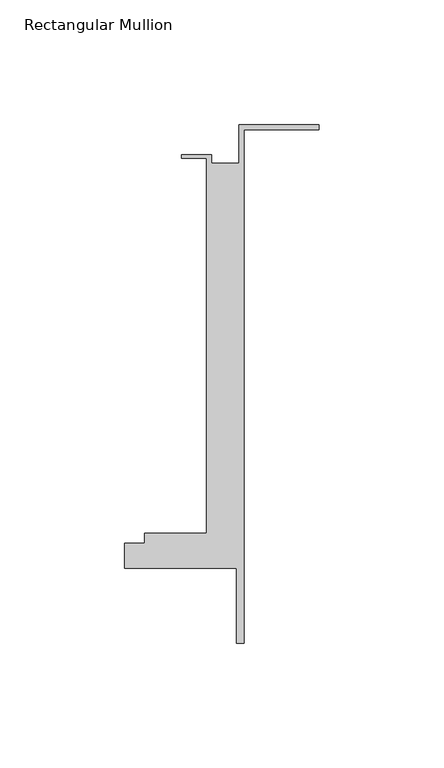
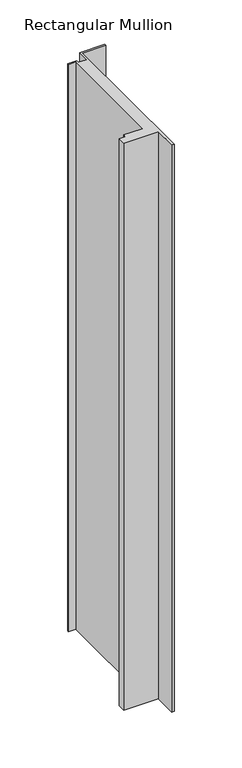
"""IFC4 building model written with IfcOpenShell, lengths in millimetres: member geometry, Rectangular Mullion."""

import ifcopenshell
import ifcopenshell.guid

model = None  # the IFC model being written
_history = None  # IfcOwnerHistory: only IFC2X3 demands one
_inside = {}  # id of a spatial element -> (the spatial element, [elements in it])
_under = {}  # id of a project, library or spatial element -> (it, [spatial elements below it])
_declared = {}  # id of a project -> (the project, [libraries it declares])
_typed = {}  # id of a type object -> (the type object, [elements of that type])
_made_of = {}  # id of a material, layer set ... -> (it, [elements and type objects made of it])


def new_model(schema):
    """Start an empty IFC model of exactly this schema.

    Asked for "IFC4X3", IfcOpenShell would pick the latest addendum, in which some entities
    have other attributes; the version numbers below select the first issue.
    IFC2X3 requires an IfcOwnerHistory on every rooted entity: one is made here for all.
    """
    global model, _history
    if schema == "IFC4X3":
        model = ifcopenshell.file(schema_version=(4, 3, 0, 0))
    else:
        model = ifcopenshell.file(schema=schema)
    _inside.clear()
    _under.clear()
    _declared.clear()
    _typed.clear()
    _made_of.clear()
    _history = None
    if model.schema == "IFC2X3":
        org = make("IfcOrganization", Name="unknown")
        user = make(
            "IfcPersonAndOrganization",
            ThePerson=make("IfcPerson", FamilyName="unknown"),
            TheOrganization=org,
        )
        app = make(
            "IfcApplication",
            ApplicationDeveloper=org,
            Version="unknown",
            ApplicationFullName="unknown",
            ApplicationIdentifier="unknown",
        )
        _history = make(
            "IfcOwnerHistory",
            OwningUser=user,
            OwningApplication=app,
            ChangeAction="ADDED",
            CreationDate=0,
        )
    return model


def make(cls, **values):
    """One entity of the class cls with the attributes given. An attribute that is None is left unset."""
    return model.create_entity(
        cls, **{name: value for name, value in values.items() if value is not None}
    )


def rooted(cls, **values):
    """An entity with a GlobalId (a new one), such as an element, a storey or a relation."""
    return make(cls, GlobalId=ifcopenshell.guid.new(), OwnerHistory=_history, **values)


def si_unit(unit_type, name, prefix=None):
    """IfcSIUnit, for example si_unit("LENGTHUNIT", "METRE", prefix="MILLI")."""
    return make("IfcSIUnit", UnitType=unit_type, Prefix=prefix, Name=name)


def assignment(units):
    """IfcUnitAssignment: the units of a project."""
    return None if units is None else make("IfcUnitAssignment", Units=units)


def point(xyz):
    """IfcCartesianPoint."""
    return None if xyz is None else make("IfcCartesianPoint", Coordinates=xyz)


def direction(xyz):
    """IfcDirection."""
    return None if xyz is None else make("IfcDirection", DirectionRatios=xyz)


def frame(location, z_axis=None, x_axis=None):
    """IfcAxis2Placement3D, a coordinate frame: its origin and axes. An axis left out is left unset."""
    return make(
        "IfcAxis2Placement3D",
        Location=point(location),
        Axis=direction(z_axis),
        RefDirection=direction(x_axis),
    )


def origin():
    """The frame at (0, 0, 0) with its axes left unset."""
    return frame((0.0, 0.0, 0.0))


def place(relative_to, where):
    """IfcLocalPlacement: puts the frame where relative to a parent placement (None: the world)."""
    return make(
        "IfcLocalPlacement", PlacementRelTo=relative_to, RelativePlacement=where
    )


def context(
    kind, dimensions, precision=None, world=None, true_north=None, identifier=None
):
    """IfcGeometricRepresentationContext, for example the 3D "Model" context."""
    return make(
        "IfcGeometricRepresentationContext",
        ContextIdentifier=identifier,
        ContextType=kind,
        CoordinateSpaceDimension=dimensions,
        Precision=precision,
        WorldCoordinateSystem=world,
        TrueNorth=true_north,
    )


def project(units=None, contexts=None):
    """IfcProject with its units and contexts."""
    return rooted(
        "IfcProject",
        Name="project",
        RepresentationContexts=contexts,
        UnitsInContext=assignment(units),
    )


def spatial(cls, under=None, at=None, **own):
    """A site, building, storey or space (cls), placed at a placement, below another one or the project."""
    s = rooted(cls, ObjectPlacement=at, **own)
    if under is not None:
        _under.setdefault(under.id(), (under, []))[1].append(s)
    return s


def polyline(points):
    """IfcPolyline through the points."""
    return make("IfcPolyline", Points=[point(p) for p in points])


def outline(outer, holes=None, kind="AREA"):
    """IfcArbitraryClosedProfileDef: a profile drawn as a closed curve; with holes, ...WithVoids."""
    if holes is None:
        return make("IfcArbitraryClosedProfileDef", ProfileType=kind, OuterCurve=outer)
    return make(
        "IfcArbitraryProfileDefWithVoids",
        ProfileType=kind,
        OuterCurve=outer,
        InnerCurves=holes,
    )


def extrude(swept, where, along, depth):
    """IfcExtrudedAreaSolid: the profile swept, set in the frame where, extruded along a direction by depth."""
    return make(
        "IfcExtrudedAreaSolid",
        SweptArea=swept,
        Position=where,
        ExtrudedDirection=direction(along),
        Depth=depth,
    )


def shape(context_of_items, identifier, shape_type, items):
    """IfcShapeRepresentation: the items that make up one representation, for example the "Body"."""
    return make(
        "IfcShapeRepresentation",
        ContextOfItems=context_of_items,
        RepresentationIdentifier=identifier,
        RepresentationType=shape_type,
        Items=items,
    )


def source(mapping_origin, context_of_items, identifier, shape_type, items):
    """IfcRepresentationMap: a shape defined once, which mapped items show again and again."""
    return make(
        "IfcRepresentationMap",
        MappingOrigin=mapping_origin,
        MappedRepresentation=shape(context_of_items, identifier, shape_type, items),
    )


def transform(
    local_origin,
    x_axis=None,
    y_axis=None,
    z_axis=None,
    scale=None,
    scale2=None,
    scale3=None,
    uniform=True,
):
    """IfcCartesianTransformationOperator3D, or its non-uniform kind. x_axis, y_axis, z_axis: its Axis1, 2, 3."""
    if uniform:
        return make(
            "IfcCartesianTransformationOperator3D",
            Axis1=direction(x_axis),
            Axis2=direction(y_axis),
            LocalOrigin=point(local_origin),
            Scale=scale,
            Axis3=direction(z_axis),
        )
    return make(
        "IfcCartesianTransformationOperator3DnonUniform",
        Axis1=direction(x_axis),
        Axis2=direction(y_axis),
        LocalOrigin=point(local_origin),
        Scale=scale,
        Axis3=direction(z_axis),
        Scale2=scale2,
        Scale3=scale3,
    )


def mapped(mapping_source, mapping_target):
    """IfcMappedItem: shows the shape of a source again, moved by a transform."""
    return make(
        "IfcMappedItem", MappingSource=mapping_source, MappingTarget=mapping_target
    )


def made_of(thing, what):
    """Note that an element or type object is made of a material, layer set ...; save() writes the relation."""
    if what is not None:
        _made_of.setdefault(what.id(), (what, []))[1].append(thing)
    return thing


def element(
    cls,
    number,
    at=None,
    inside=None,
    cuts=None,
    type_object=None,
    material=None,
    context=None,
    identifier="Body",
    shape_type=None,
    held_by="IfcProductDefinitionShape",
    body=None,
    shapes=None,
    **own,
):
    """One element of the class cls, such as IfcWall. Its Tag is "e" and its number.

    at: its placement. inside: the storey or other place that contains it. cuts: it is an
    opening in that element (IfcRelVoidsElement). A single representation is given by context,
    identifier, shape_type and body (its items); several are given by shapes. held_by: the class
    of the entity that holds the representations. save() writes the other relations.
    """
    e = rooted(cls, Tag="e%d" % number, ObjectPlacement=at, **own)
    if body is not None:
        shapes = [shape(context, identifier, shape_type, body)]
    if shapes is not None:
        e.Representation = make(held_by, Representations=shapes)
    if inside is not None:
        _inside.setdefault(inside.id(), (inside, []))[1].append(e)
    if cuts is not None:
        rooted(
            "IfcRelVoidsElement", RelatingBuildingElement=cuts, RelatedOpeningElement=e
        )
    if type_object is not None:
        _typed.setdefault(type_object.id(), (type_object, []))[1].append(e)
    return made_of(e, material)


def aggregate(whole, parts):
    """IfcRelAggregates: a whole, such as a stair, and the parts it consists of."""
    return rooted("IfcRelAggregates", RelatingObject=whole, RelatedObjects=parts)


def save(model, path):
    """Write the relations noted so far, then the file.

    IfcRelAggregates (storeys below a building ...), IfcRelContainedInSpatialStructure (elements
    in a storey), IfcRelDefinesByType, IfcRelAssociatesMaterial and IfcRelDeclares: one each for
    every whole, place, type object, material and project.
    """
    for whole, parts in _under.values():
        aggregate(whole, parts)
    for where, things in _inside.values():
        rooted(
            "IfcRelContainedInSpatialStructure",
            RelatedElements=things,
            RelatingStructure=where,
        )
    for kind, things in _typed.values():
        rooted("IfcRelDefinesByType", RelatedObjects=things, RelatingType=kind)
    for what, things in _made_of.values():
        rooted("IfcRelAssociatesMaterial", RelatedObjects=things, RelatingMaterial=what)
    for by, libraries in _declared.values():
        rooted("IfcRelDeclares", RelatingContext=by, RelatedDefinitions=libraries)
    model.write(path)


def rectangular_mullion_397743f2(model_context):
    return source(origin(), model_context, "Body", "SweptSolid", [
        extrude(outline(polyline([(-32.1465839, 41.25), (0.0, 41.25), (0.0, 39.25), (-30.1465839, 39.25), (-30.1465839, -166.75), (-33.1466122, -166.75), (-33.1466122, -136.75), (-78.1466122, -136.75), (-78.1466122, -126.75), (-70.1466122, -126.75), (-70.1466122, -122.75), (-45.1465839, -122.75), (-45.1465839, 27.75), (-55.1465839, 27.75), (-55.1465839, 29.25), (-43.1465839, 29.25), (-43.1465839, 25.75), (-32.1465839, 25.75), (-32.1465839, 41.25)])), frame((0.0, 0.0, -777.9156474), z_axis=(0.0, 0.0, 1.0), x_axis=(1.0, 0.0, 0.0)), (0.0, 0.0, 1.0), 777.9156474),
    ])


if __name__ == "__main__":
    model = new_model("IFC4")
    model_context = context("Model", 3, world=origin())
    ifc_project = project(units=[si_unit("LENGTHUNIT", "METRE", prefix="MILLI")], contexts=[model_context])
    site = spatial("IfcSite", under=ifc_project)
    building = spatial("IfcBuilding", under=site)
    placement = place(None, origin())
    rectangular_mullion_shape = rectangular_mullion_397743f2(model_context)
    element("IfcMember", 1, ObjectType="Rectangular Mullion", at=placement, inside=building, context=model_context, shape_type="MappedRepresentation", body=[
        mapped(rectangular_mullion_shape, transform((0.0, 0.0, 0.0), x_axis=(1.0, 0.0, 0.0), y_axis=(0.0, 1.0, 0.0), z_axis=(0.0, 0.0, 1.0))),
    ])
    save(model, "model.ifc")
